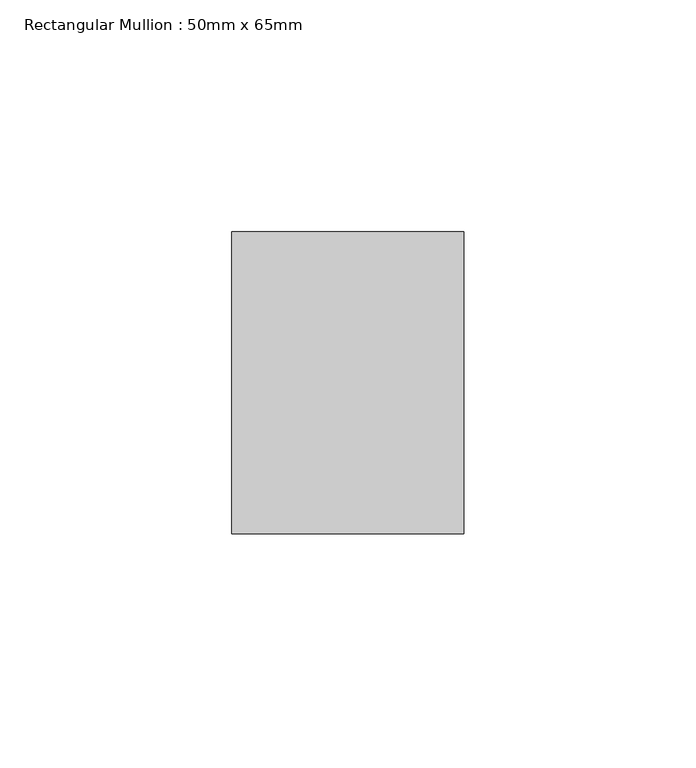
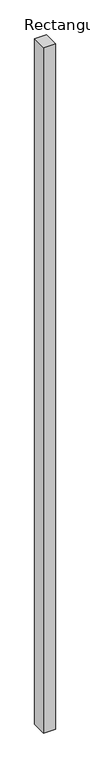
"""IFC4 building model written with IfcOpenShell, lengths in millimetres: member geometry, Rectangular Mullion : 50mm x 65mm."""

from ifc_helpers import new_model, si_unit, frame, origin, place, context, project, spatial, polyline, outline, extrude, source, transform, mapped, element, save


def rectangular_mullion_50mm_x_65mm_889134e4(model_context):
    return source(origin(), model_context, "Body", "SweptSolid", [
        extrude(outline(polyline([(25.0, 32.5), (25.0, -32.5), (-25.0, -32.5), (-25.0, 32.5), (25.0, 32.5)])), frame((0.0, 0.0, -3078.7115224), z_axis=(0.0, 0.0, 1.0), x_axis=(1.0, 0.0, 0.0)), (0.0, 0.0, 1.0), 3078.7115224),
    ])


if __name__ == "__main__":
    model = new_model("IFC4")
    model_context = context("Model", 3, world=origin())
    ifc_project = project(units=[si_unit("LENGTHUNIT", "METRE", prefix="MILLI")], contexts=[model_context])
    site = spatial("IfcSite", under=ifc_project)
    building = spatial("IfcBuilding", under=site)
    placement = place(None, origin())
    rectangular_mullion_50mm_x_65mm_shape = rectangular_mullion_50mm_x_65mm_889134e4(model_context)
    element("IfcMember", 1, ObjectType="Rectangular Mullion : 50mm x 65mm", at=placement, inside=building, context=model_context, shape_type="MappedRepresentation", body=[
        mapped(rectangular_mullion_50mm_x_65mm_shape, transform((0.0, 0.0, 0.0), x_axis=(1.0, 0.0, 0.0), y_axis=(0.0, 1.0, 0.0), z_axis=(0.0, 0.0, 1.0))),
    ])
    save(model, "model.ifc")
